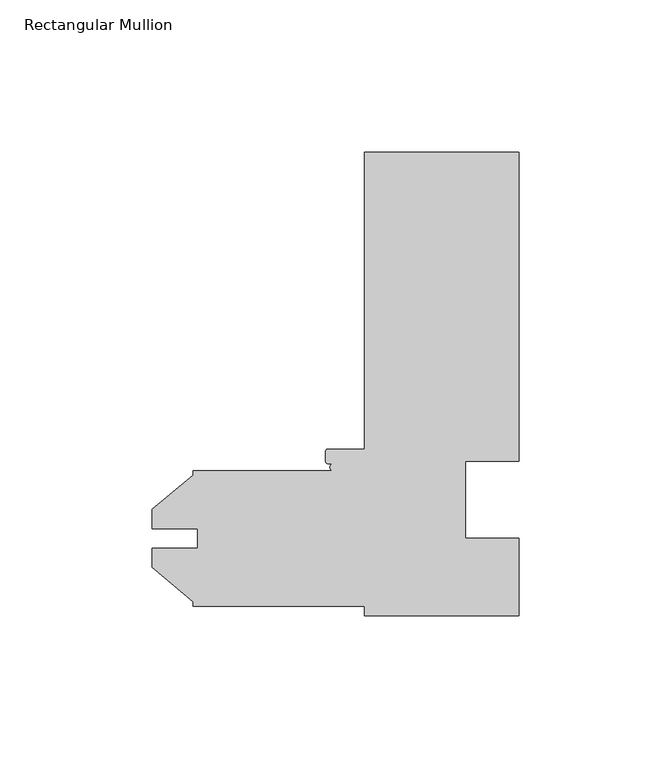
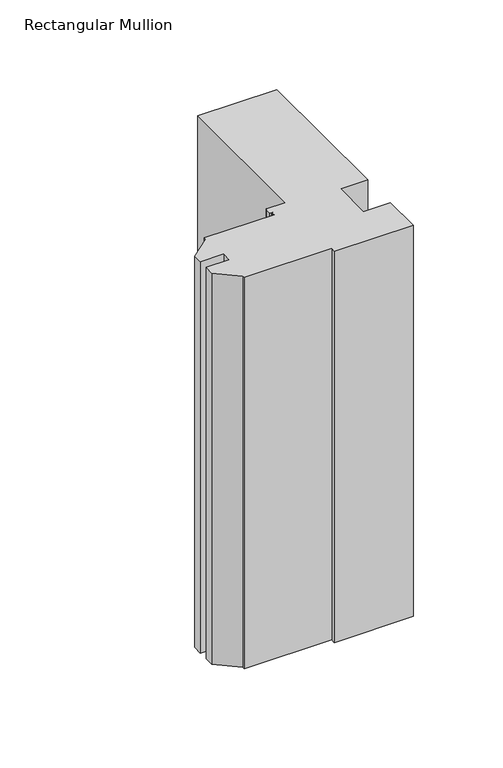
"""IFC4 building model written with IfcOpenShell, lengths in millimetres: member geometry, Rectangular Mullion."""

from ifc_helpers import new_model, si_unit, point, frame, frame_2d, origin, place, context, project, spatial, polyline, circle_curve, trimmed, segment, composite_curve, outline, extrude, source, transform, mapped, element, save


def rectangular_mullion_098c0094(model_context):
    return source(origin(), model_context, "Body", "SweptSolid", [
        extrude(outline(composite_curve([segment(polyline([(0.0, 152.4), (0.0, 50.8), (-17.4498, 50.8), (-17.4498, 25.4), (0.0, 25.4), (0.0, 0.0), (-50.8, 0.0), (-50.8, 3.175), (-107.15625, 3.175), (-107.15625, 4.5691667), (-120.61825, 15.865126), (-120.61825, 22.2353979), (-105.58145, 22.2353979), (-105.58145, 28.5595221), (-120.61825, 28.5595221), (-120.61825, 34.929794), (-107.15625, 46.2257533), (-107.15625, 47.625), (-60.9142594, 47.625)]), True, "CONTINUOUS"), segment(trimmed(circle_curve(frame_2d((-60.9142594, 48.8188)), 1.1938), [point((-60.9142594, 47.625))], [point((-60.9142594, 50.0126))], False, "CARTESIAN"), True, "CONTINUOUS"), segment(polyline([(-60.9142594, 50.0126), (-62.7126, 50.0126)]), True, "CONTINUOUS"), segment(trimmed(circle_curve(frame_2d((-62.7126, 50.8)), 0.7874), [point((-62.7126, 50.0126))], [point((-63.5, 50.8))], False, "CARTESIAN"), True, "CONTINUOUS"), segment(polyline([(-63.5, 50.8), (-63.5, 54.0004)]), True, "CONTINUOUS"), segment(trimmed(circle_curve(frame_2d((-62.7126, 54.0004)), 0.7874), [point((-63.5, 54.0004))], [point((-62.7126, 54.7878))], False, "CARTESIAN"), True, "CONTINUOUS"), segment(polyline([(-62.7126, 54.7878), (-50.8, 54.7878), (-50.8, 152.4), (0.0, 152.4)]), True, "CONTINUOUS")], self_intersect=False)), frame((0.0, 0.0, -266.7), z_axis=(0.0, 0.0, 1.0), x_axis=(1.0, 0.0, 0.0)), (0.0, 0.0, 1.0), 266.7),
    ])


if __name__ == "__main__":
    model = new_model("IFC4")
    model_context = context("Model", 3, world=origin())
    ifc_project = project(units=[si_unit("LENGTHUNIT", "METRE", prefix="MILLI")], contexts=[model_context])
    site = spatial("IfcSite", under=ifc_project)
    building = spatial("IfcBuilding", under=site)
    placement = place(None, origin())
    rectangular_mullion_shape = rectangular_mullion_098c0094(model_context)
    element("IfcMember", 1, ObjectType="Rectangular Mullion", at=placement, inside=building, context=model_context, shape_type="MappedRepresentation", body=[
        mapped(rectangular_mullion_shape, transform((0.0, 0.0, 0.0), x_axis=(1.0, 0.0, 0.0), y_axis=(0.0, 1.0, 0.0), z_axis=(0.0, 0.0, 1.0))),
    ])
    save(model, "model.ifc")
